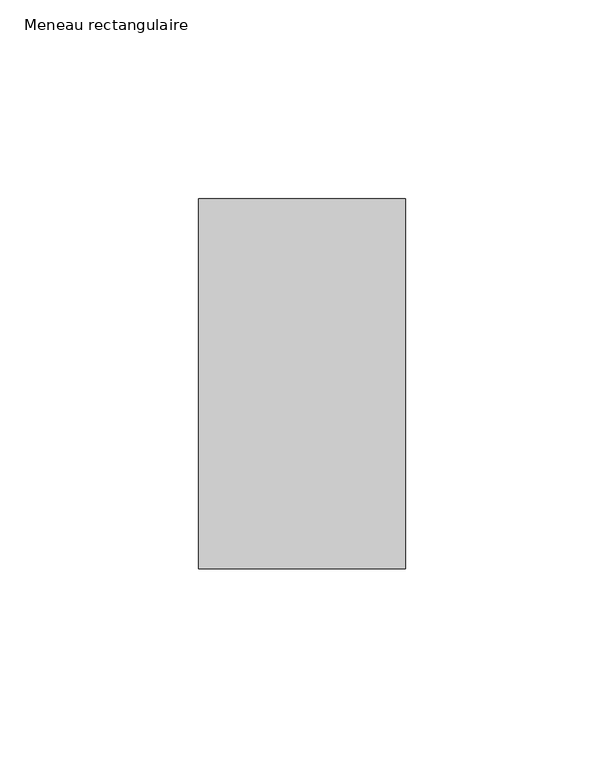
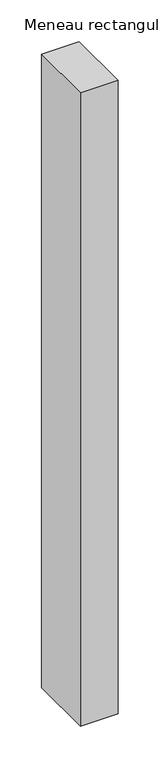
"""IFC4 building model written with IfcOpenShell, lengths in millimetres: member geometry, Meneau rectangulaire."""

from ifc_helpers import new_model, si_unit, frame, origin, place, context, project, spatial, polyline, outline, extrude, source, transform, mapped, element, save


def meneau_rectangulaire_c8382da5(model_context):
    return source(origin(), model_context, "Body", "SweptSolid", [
        extrude(outline(polyline([(-52.0, 46.5), (0.0, 46.5), (0.0, -46.5), (-52.0, -46.5), (-52.0, 46.5)])), frame((0.0, 0.0, -925.5040494), z_axis=(0.0, 0.0, 1.0), x_axis=(1.0, 0.0, 0.0)), (0.0, 0.0, 1.0), 925.5040494),
    ])


if __name__ == "__main__":
    model = new_model("IFC4")
    model_context = context("Model", 3, world=origin())
    ifc_project = project(units=[si_unit("LENGTHUNIT", "METRE", prefix="MILLI")], contexts=[model_context])
    site = spatial("IfcSite", under=ifc_project)
    building = spatial("IfcBuilding", under=site)
    placement = place(None, origin())
    meneau_rectangulaire_shape = meneau_rectangulaire_c8382da5(model_context)
    element("IfcMember", 1, ObjectType="Meneau rectangulaire", at=placement, inside=building, context=model_context, shape_type="MappedRepresentation", body=[
        mapped(meneau_rectangulaire_shape, transform((0.0, 0.0, 0.0), x_axis=(1.0, 0.0, 0.0), y_axis=(0.0, 1.0, 0.0), z_axis=(0.0, 0.0, 1.0))),
    ])
    save(model, "model.ifc")
